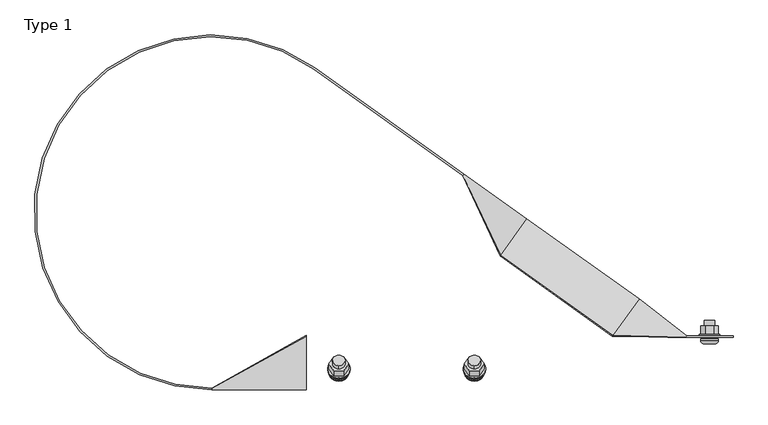
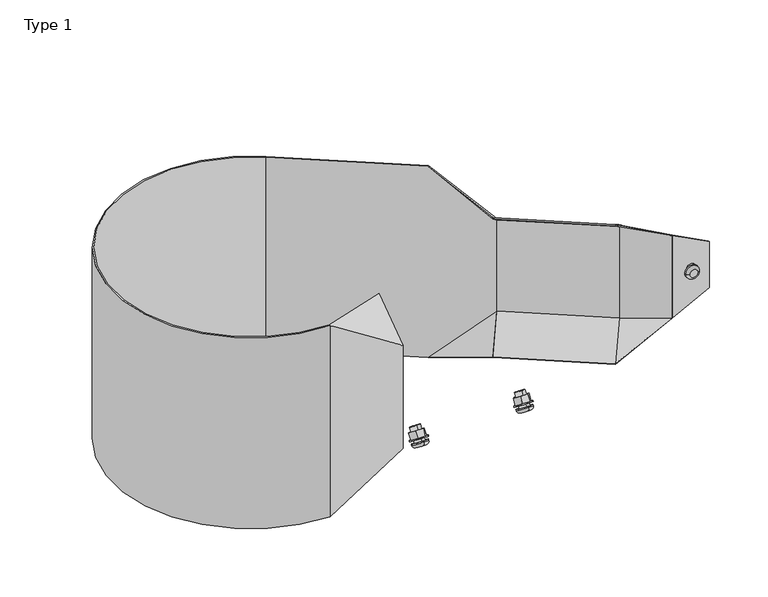
"""IFC4 building model written with IfcOpenShell, lengths in millimetres: proxy geometry, Type 1."""

from ifc_helpers import new_model, si_unit, point, frame, origin, place, context, project, spatial, polyline, circle_curve, ellipse_curve, trimmed, source, transform, mapped, element, save
from ifc_brep_helpers import plane_surface, cylinder_surface, revolved_surface, spline_surface, advanced_brep


def type_1_68a221f1(model_context):
    return source(origin(), model_context, "Body", "AdvancedBrep", [
        advanced_brep(
        [(190.9902686, 186.7722994, 199.2492605), (149.4821381, 128.5800467, 147.6969004), (148.5989529, 127.3418666, 149.8056664), (189.4804409, 184.6555991, 200.5797477), (189.4804409, 184.6555991, 399.4202523), (148.5989529, 127.3418666, 450.1943336), (149.4821381, 128.5800467, 452.3030996), (190.9902686, 186.7722994, 400.7507395), (369.5286487, 59.4221106, 199.2492605), (328.0205182, 1.2298578, 147.6969004), (327.1373329, -0.0083223, 149.8056664), (368.018821, 57.3054102, 200.5797477), (368.018821, 57.3054102, 399.4202523), (327.1373329, -0.0083223, 450.1943336), (328.0205182, 1.2298578, 452.3030996), (369.5286487, 59.4221106, 400.7507395), (443.1447357, -2.0, 389.9654852), (443.1447357, -2.0, 210.569826), (444.9992977, 0.6, 211.5363688), (444.9992977, 0.6, 388.9903193)],
        [
            (0, 1),
            (1, 2),
            (2, 3),
            (3, 4),
            (4, 5),
            (5, 6),
            (6, 7),
            (7, 0),
            (0, 8),
            (8, 9),
            (9, 1),
            (9, 10),
            (10, 2),
            (10, 11),
            (11, 3),
            (11, 12),
            (12, 4),
            (12, 13),
            (13, 5),
            (13, 14),
            (14, 6),
            (14, 15),
            (15, 7),
            (15, 8),
            (16, 17),
            (17, 18),
            (18, 19),
            (19, 16),
            (13, 16),
            (16, 14),
            (12, 16),
            (11, 17),
            (10, 17),
            (9, 17),
            (8, 18),
            (15, 19),
        ],
        [
            plane_surface(frame((122.6946592, 91.0253863, 114.4273279), z_axis=(-0.8141155183563169, 0.5807029557109433, 0.0), x_axis=(-0.47098715695730625, -0.6602996414165478, -0.5849576749872184))),
            plane_surface(frame((190.9902686, 186.7722994, 199.2492605), z_axis=(0.33968665083087907, 0.47622312078872514, -0.8110638189893247), x_axis=(0.8141155183563167, -0.5807029557109433, 0.0))),
            plane_surface(frame((149.4821381, 128.5800467, 147.6969004), z_axis=(-0.47098715695730886, -0.6602996414165514, -0.5849576749872123), x_axis=(0.8141155183563167, -0.5807029557109433, 0.0))),
            plane_surface(frame((148.5989529, 127.3418666, 149.8056664), z_axis=(-0.33968665083087923, -0.4762231207887254, 0.8110638189893244), x_axis=(0.8141155183563167, -0.5807029557109433, 0.0))),
            plane_surface(frame((189.4804409, 184.6555991, 200.5797477), z_axis=(-0.5807029557109432, -0.8141155183563167, 0.0), x_axis=(0.8141155183563167, -0.5807029557109432, 0.0))),
            plane_surface(frame((189.4804409, 184.6555991, 399.4202523), z_axis=(-0.33968665083087735, -0.47622312078872275, -0.8110638189893268), x_axis=(0.8141155183563167, -0.5807029557109432, 0.0))),
            plane_surface(frame((148.5989529, 127.3418666, 450.1943336), z_axis=(-0.4709871569573153, -0.6602996414165604, 0.584957674987197), x_axis=(0.8141155183563167, -0.5807029557109433, 0.0))),
            plane_surface(frame((149.4821381, 128.5800467, 452.3030996), z_axis=(0.3396866508308775, 0.476223120788723, 0.8110638189893264), x_axis=(0.8141155183563167, -0.5807029557109433, 0.0))),
            plane_surface(frame((190.9902686, 186.7722994, 400.7507395), z_axis=(0.5807029557109434, 0.8141155183563167, 0.0), x_axis=(0.8141155183563167, -0.5807029557109434, 0.0))),
            plane_surface(frame((444.0720167, -0.7, 300.2654998), z_axis=(0.8141155183563159, -0.5807029557109447, 0.0), x_axis=(-0.5553888131376229, -0.778626399349516, 0.29203458096189694))),
            plane_surface(frame((327.5789256, 0.6107678, 451.2487166), z_axis=(0.20770917796488175, -0.879031617892809, 0.42913903590084157), x_axis=(-0.33968665083085386, -0.4762231207887098, -0.8110638189893441))),
            plane_surface(frame((347.578077, 28.648544, 424.807293), z_axis=(-0.42567387223256176, -0.41068135271323597, -0.8063141949836699), x_axis=(0.4709871569573086, 0.6602996414165487, -0.5849576749872154))),
            plane_surface(frame((368.018821, 57.3054102, 300.0), z_axis=(-0.6196151801696199, -0.7849057449804846, 0.0), x_axis=(0.0, 0.0, -1.0))),
            plane_surface(frame((347.578077, 28.648544, 175.192707), z_axis=(-0.4291358641862652, -0.4078564084807411, 0.8059128737836979), x_axis=(-0.4709871569573054, -0.6602996414165481, -0.5849576749872188))),
            plane_surface(frame((327.5789256, 0.6107678, 148.7512834), z_axis=(0.20932332652993613, -0.8789903176634704, -0.4284387545779601), x_axis=(0.33968665083088123, 0.4762231207887182, -0.8110638189893278))),
            spline_surface(1, 1, [[(328.0205182, 1.2298578, 147.6969004), (443.1447357, -2.0, 210.569826)], [(369.5286487, 59.4221106, 199.2492605), (444.9992977, 0.6, 211.5363688)]], [2, 2], [2, 2], [0.0, 1.0], [0.0, 1.0]),
            plane_surface(frame((369.5286487, 59.4221106, 300.0), z_axis=(0.6147393902704221, 0.7887302974084042, 0.0), x_axis=(0.0, 0.0, 1.0))),
            spline_surface(1, 1, [[(369.5286487, 59.4221106, 400.7507395), (444.9992977, 0.6, 388.9903193)], [(328.0205182, 1.2298578, 452.3030996), (443.1447357, -2.0, 389.9654852)]], [2, 2], [2, 2], [0.0, 1.0], [0.0, 1.0]),
        ],
        [
            (0, [[1, 2, 3, 4, 5, 6, 7, 8]]),
            (1, [[-1, 9, 10, 11]]),
            (2, [[-2, -11, 12, 13]]),
            (3, [[-3, -13, 14, 15]]),
            (4, [[-4, -15, 16, 17]]),
            (5, [[-5, -17, 18, 19]]),
            (6, [[-6, -19, 20, 21]]),
            (7, [[-7, -21, 22, 23]]),
            (8, [[-8, -23, 24, -9]]),
            (9, [[25, 26, 27, 28]]),
            (10, [[29, 30, -20]]),
            (11, [[-29, -18, 31]]),
            (12, [[-25, -31, -16, 32]]),
            (13, [[-32, -14, 33]]),
            (14, [[-33, -12, 34]]),
            (15, [[-26, -34, -10, 35]]),
            (16, [[-27, -35, -24, 36]]),
            (17, [[-28, -36, -22, -30]]),
        ],
    ),
        advanced_brep(
        [(-310.0, -83.0, 508.0), (-147.4031724, 424.9523451, 508.0), (89.4346213, 256.0175887, 508.0), (90.944449, 258.134289, 508.0), (-145.8933447, 427.0690455, 508.0), (-310.0, -85.6, 508.0), (-310.0, -85.6, 92.0), (-145.8933447, 427.0690455, 92.0), (90.944449, 258.134289, 92.0), (89.4346213, 256.0175887, 92.0), (-147.4031724, 424.9523451, 92.0), (-310.0, -83.0, 92.0), (189.4804409, 184.6555991, 200.5797477), (189.4804409, 184.6555991, 399.4202523), (190.9902686, 186.7722994, 400.7507395), (190.9902686, 186.7722994, 199.2492605), (149.4821381, 128.5800467, 452.3030996), (148.5989529, 127.3418666, 450.1943336), (148.5989529, 127.3418666, 149.8056664), (149.4821381, 128.5800467, 147.6969004), (-160.0, -83.0, 410.6331724), (-160.0, 1.5207427, 471.5824859), (-160.0, 0.0, 473.691358), (-160.0, -85.6, 411.9637742), (-160.0, -85.6, 187.9969633), (-160.0, 0.0, 126.3278397), (-160.0, 1.5197948, 128.4373951), (-160.0, -83.0, 189.3283024)],
        [
            (0, 1, circle_curve(frame((-310.0, 197.0, 508.0), z_axis=(0.0, 0.0, -1.0), x_axis=(-1.0, 0.0, 0.0)), 280.0)),
            (1, 2),
            (2, 3),
            (3, 4),
            (4, 5, circle_curve(frame((-310.0, 197.0, 508.0), z_axis=(0.0, 0.0, 1.0), x_axis=(-1.0, 0.0, 0.0)), 282.6)),
            (5, 0),
            (6, 7, circle_curve(frame((-310.0, 197.0, 92.0), z_axis=(0.0, 0.0, -1.0), x_axis=(-1.0, 0.0, 0.0)), 282.6)),
            (7, 8),
            (8, 9),
            (9, 10),
            (10, 11, circle_curve(frame((-310.0, 197.0, 92.0), z_axis=(0.0, 0.0, 1.0), x_axis=(-1.0, 0.0, 0.0)), 280.0)),
            (11, 6),
            (0, 11),
            (10, 1),
            (9, 12),
            (12, 13),
            (13, 2),
            (3, 14),
            (14, 15),
            (15, 8),
            (7, 4),
            (6, 5),
            (14, 16),
            (16, 17),
            (17, 13),
            (12, 18),
            (18, 19),
            (19, 15),
            (19, 9),
            (18, 9),
            (17, 2),
            (16, 2),
            (20, 21),
            (21, 22),
            (22, 23),
            (23, 24),
            (24, 25),
            (25, 26),
            (26, 27),
            (27, 20),
            (20, 0),
            (0, 21),
            (0, 22),
            (5, 23),
            (6, 24),
            (11, 25),
            (11, 26),
            (11, 27),
        ],
        [
            plane_surface(frame((-590.0, 197.0, 508.0), z_axis=(0.0, 0.0, 1.0), x_axis=(0.0, 1.0, 0.0))),
            plane_surface(frame((-590.0, 197.0, 92.0), z_axis=(0.0, 0.0, -1.0), x_axis=(0.0, -1.0, 0.0))),
            revolved_surface(polyline([(-590.0, 197.0, 92.0), (-590.0, 197.0, 508.0)]), (-310.0, 197.0, 92.0), (0.0, 0.0, -1.0)),
            plane_surface(frame((-147.4031724, 424.9523451, 508.0), z_axis=(-0.5807029557109396, -0.8141155183563195, 0.0), x_axis=(0.0, 0.0, -1.0))),
            plane_surface(frame((90.944449, 258.134289, 508.0), z_axis=(0.5807029557109394, 0.8141155183563195, 0.0), x_axis=(0.0, 0.0, -1.0))),
            cylinder_surface(frame((-310.0, 197.0, 92.0), z_axis=(0.0, 0.0, 1.0), x_axis=(-1.0, 0.0, 0.0)), 282.6),
            plane_surface(frame((169.6379501, 156.8374529, 300.0), z_axis=(0.8141155183563185, -0.5807029557109409, 0.0), x_axis=(-0.4709871569573017, -0.6602996414165511, -0.5849576749872184))),
            spline_surface(1, 1, [[(190.9902686, 186.7722994, 199.2492605), (90.944449, 258.134289, 92.0)], [(149.4821381, 128.5800467, 147.6969004), (89.4346213, 256.0175887, 92.0)]], [2, 2], [2, 2], [0.0, 1.0], [0.0, 1.0]),
            plane_surface(frame((149.0405455, 127.9609566, 148.7512834), z_axis=(-0.6143153542746358, -0.5406481490313704, -0.5747314368045148), x_axis=(-0.33968665083087546, -0.4762231207887154, 0.8110638189893317))),
            plane_surface(frame((169.0396969, 155.9987328, 175.192707), z_axis=(-0.7503275565848015, -0.048833295000649646, 0.6592600906538033), x_axis=(0.4709871569573013, 0.660299641416551, 0.5849576749872187))),
            plane_surface(frame((169.0396969, 155.9987328, 424.807293), z_axis=(-0.7503275565847984, -0.04883329500064662, -0.6592600906538072), x_axis=(-0.47098715695730603, -0.6602996414165505, 0.5849576749872155))),
            plane_surface(frame((149.0405455, 127.9609566, 451.2487166), z_axis=(-0.6143153542746498, -0.5406481490313702, 0.5747314368045), x_axis=(0.3396866508308627, 0.476223120788709, 0.8110638189893409))),
            spline_surface(1, 1, [[(149.4821381, 128.5800467, 452.3030996), (89.4346213, 256.0175887, 508.0)], [(190.9902686, 186.7722994, 400.7507395), (90.944449, 258.134289, 508.0)]], [2, 2], [2, 2], [0.0, 1.0], [0.0, 1.0]),
            plane_surface(frame((-160.0, -41.7699328, 299.9951614), z_axis=(1.0, 0.0, 0.0), x_axis=(0.0, 0.8111046513053649, 0.5849010554194636))),
            plane_surface(frame((-310.0, -83.0, 508.0), z_axis=(-0.4658726222908497, 0.5175507490117469, -0.7177074069544128), x_axis=(0.0, 0.8111046513053649, 0.5849010554194636))),
            plane_surface(frame((-310.0, -83.0, 508.0), z_axis=(-0.30047274942495855, 0.7736238296917165, 0.5578730115233466), x_axis=(0.0, -0.5849010554194513, 0.8111046513053738))),
            spline_surface(1, 1, [[(-310.0, -83.0, 508.0), (-160.0, 0.0, 473.691358)], [(-310.0, -85.6, 508.0), (-160.0, -85.6, 411.9637742)]], [2, 2], [2, 2], [0.0, 1.0], [0.0, 1.0]),
            plane_surface(frame((-310.0, -85.6, 300.0), z_axis=(0.0, -1.0, 0.0), x_axis=(0.0, 0.0, -1.0))),
            spline_surface(1, 1, [[(-310.0, -85.6, 92.0), (-160.0, -85.6, 187.9969633)], [(-310.0, -83.0, 92.0), (-160.0, 0.0, 126.3278397)]], [2, 2], [2, 2], [0.0, 1.0], [0.0, 1.0]),
            plane_surface(frame((-310.0, -83.0, 92.0), z_axis=(-0.3006063635639592, 0.7738403268106463, -0.5575006392699877), x_axis=(0.0, 0.5845364452825408, 0.8113674532149112))),
            plane_surface(frame((-310.0, -83.0, 92.0), z_axis=(-0.4658464341630251, 0.5172361823735152, 0.7179511344243885), x_axis=(0.0, -0.8113674532149089, 0.5845364452825442))),
            plane_surface(frame((-310.0, -83.0, 300.0), z_axis=(0.0, 1.0, 0.0), x_axis=(0.0, 0.0, 1.0))),
        ],
        [
            (0, [[1, 2, 3, 4, 5, 6]]),
            (1, [[7, 8, 9, 10, 11, 12]]),
            (2, [[-1, 13, -11, 14]]),
            (3, [[-2, -14, -10, 15, 16, 17]]),
            (4, [[-4, 18, 19, 20, -8, 21]]),
            (5, [[-5, -21, -7, 22]]),
            (6, [[-19, 23, 24, 25, -16, 26, 27, 28]]),
            (7, [[-28, 29, -9, -20]]),
            (8, [[-27, 30, -29]]),
            (9, [[-26, -15, -30]]),
            (10, [[-25, 31, -17]]),
            (11, [[-24, 32, -31]]),
            (12, [[-23, -18, -3, -32]]),
            (13, [[33, 34, 35, 36, 37, 38, 39, 40]]),
            (14, [[-33, 41, 42]]),
            (15, [[-34, -42, 43]]),
            (16, [[-35, -43, -6, 44]]),
            (17, [[-36, -44, -22, 45]]),
            (18, [[-37, -45, -12, 46]]),
            (19, [[-38, -46, 47]]),
            (20, [[-39, -47, 48]]),
            (21, [[-40, -48, -13, -41]]),
        ],
    ),
        advanced_brep(
        [(473.4770023, 25.4, 300.0), (489.4770023, 25.4, 300.0), (489.4770023, 16.6, 300.0), (473.4770023, 16.6, 300.0), (473.4770023, -4.6, 300.0), (473.4770023, 0.6, 300.0), (489.4770023, 0.6, 300.0), (489.4770023, -4.6, 300.0), (488.4770023, 16.6, 287.8756443), (474.4770023, 16.6, 287.8756443), (467.4770023, 16.6, 300.0), (474.4770023, 16.6, 312.1243557), (488.4770023, 16.6, 312.1243557), (495.4770023, 16.6, 300.0), (488.4770023, 2.6, 287.8756443), (474.4770023, 2.6, 287.8756443), (467.4770023, 2.6, 300.0), (474.4770023, 2.6, 312.1243557), (488.4770023, 2.6, 312.1243557), (495.4770023, 2.6, 300.0), (497.4770023, 2.6, 300.0), (465.4770023, 2.6, 300.0), (497.4770023, 0.6, 300.0), (465.4770023, 0.6, 300.0), (473.4770023, -12.6, 300.0), (489.4770023, -12.6, 300.0), (467.4770023, -4.6, 300.0), (495.4770023, -4.6, 300.0), (495.4770023, -6.6, 300.0), (467.4770023, -6.6, 300.0)],
        [
            (0, 1, circle_curve(frame((481.4770023, 25.4, 300.0), z_axis=(0.0, 1.0, 0.0), x_axis=(1.0, 0.0, 0.0)), 8.0)),
            (1, 0, circle_curve(frame((481.4770023, 25.4, 300.0), z_axis=(0.0, 1.0, 0.0), x_axis=(1.0, 0.0, 0.0)), 8.0)),
            (1, 2),
            (2, 3, circle_curve(frame((481.4770023, 16.6, 300.0), z_axis=(0.0, 1.0, 0.0), x_axis=(1.0, 0.0, 0.0)), 8.0)),
            (3, 0),
            (4, 5),
            (5, 6, circle_curve(frame((481.4770023, 0.6, 300.0), z_axis=(0.0, -1.0, 0.0), x_axis=(1.0, 0.0, 0.0)), 8.0)),
            (6, 7),
            (7, 4, circle_curve(frame((481.4770023, -4.6, 300.0), z_axis=(0.0, 1.0, 0.0), x_axis=(1.0, 0.0, 0.0)), 8.0)),
            (3, 2, circle_curve(frame((481.4770023, 16.6, 300.0), z_axis=(0.0, 1.0, 0.0), x_axis=(1.0, 0.0, 0.0)), 8.0)),
            (4, 7, circle_curve(frame((481.4770023, -4.6, 300.0), z_axis=(0.0, 1.0, 0.0), x_axis=(1.0, 0.0, 0.0)), 8.0)),
            (6, 5, circle_curve(frame((481.4770023, 0.6, 300.0), z_axis=(0.0, -1.0, 0.0), x_axis=(1.0, 0.0, 0.0)), 8.0)),
            (8, 9),
            (9, 10),
            (10, 11),
            (11, 12),
            (12, 13),
            (13, 8),
            (8, 14),
            (14, 15),
            (15, 9),
            (15, 16),
            (16, 10),
            (16, 17),
            (17, 11),
            (17, 18),
            (18, 12),
            (18, 19),
            (19, 13),
            (19, 14),
            (20, 21, circle_curve(frame((481.4770023, 2.6, 300.0), z_axis=(0.0, 1.0, 0.0), x_axis=(-1.0, 0.0, 0.0)), 16.0)),
            (21, 20, circle_curve(frame((481.4770023, 2.6, 300.0), z_axis=(0.0, 1.0, 0.0), x_axis=(-1.0, 0.0, 0.0)), 16.0)),
            (22, 23, circle_curve(frame((481.4770023, 0.6, 300.0), z_axis=(0.0, -1.0, 0.0), x_axis=(-1.0, 0.0, 0.0)), 16.0)),
            (23, 22, circle_curve(frame((481.4770023, 0.6, 300.0), z_axis=(0.0, -1.0, 0.0), x_axis=(-1.0, 0.0, 0.0)), 16.0)),
            (20, 22),
            (23, 21),
            (24, 25, circle_curve(frame((481.4770023, -12.6, 300.0), z_axis=(0.0, -1.0, 0.0), x_axis=(1.0, 0.0, 0.0)), 8.0)),
            (25, 24, circle_curve(frame((481.4770023, -12.6, 300.0), z_axis=(0.0, -1.0, 0.0), x_axis=(-1.0, 0.0, 0.0)), 8.0)),
            (26, 27, circle_curve(frame((481.4770023, -4.6, 300.0), z_axis=(0.0, 1.0, 0.0), x_axis=(1.0, 0.0, 0.0)), 14.0)),
            (27, 26, circle_curve(frame((481.4770023, -4.6, 300.0), z_axis=(0.0, 1.0, 0.0), x_axis=(1.0, 0.0, 0.0)), 14.0)),
            (27, 28),
            (28, 29, circle_curve(frame((481.4770023, -6.6, 300.0), z_axis=(0.0, 1.0, 0.0), x_axis=(1.0, 0.0, 0.0)), 14.0)),
            (29, 26),
            (29, 28, circle_curve(frame((481.4770023, -6.6, 300.0), z_axis=(0.0, 1.0, 0.0), x_axis=(1.0, 0.0, 0.0)), 14.0)),
            (24, 29, circle_curve(frame((473.4770023, -6.6, 300.0), z_axis=(0.0, 0.0, -1.0), x_axis=(-1.0, 0.0, 0.0)), 6.0)),
            (28, 25, circle_curve(frame((489.4770023, -6.6, 300.0), z_axis=(0.0, 0.0, -1.0), x_axis=(1.0, 0.0, 0.0)), 6.0)),
        ],
        [
            plane_surface(frame((489.4770023, 25.4, 300.0), z_axis=(0.0, 1.0, 0.0), x_axis=(0.0, 0.0, -1.0))),
            cylinder_surface(frame((481.4770023, 25.4, 300.0), z_axis=(0.0, -1.0, 0.0), x_axis=(1.0, 0.0, 0.0)), 8.0),
            plane_surface(frame((473.4770023, 16.6, 300.0), z_axis=(0.0, 1.0, 0.0), x_axis=(0.0, 0.0, -1.0))),
            plane_surface(frame((488.4770023, 16.6, 287.8756443), z_axis=(0.0, 0.0, -1.0), x_axis=(0.0, -1.0, 0.0))),
            plane_surface(frame((474.4770023, 16.6, 287.8756443), z_axis=(-0.8660254037844395, 0.0, -0.49999999999999856), x_axis=(0.0, -1.0, 0.0))),
            plane_surface(frame((467.4770023, 16.6, 300.0), z_axis=(-0.8660254037844395, 0.0, 0.49999999999999856), x_axis=(0.0, -1.0, 0.0))),
            plane_surface(frame((474.4770023, 16.6, 312.1243557), z_axis=(0.0, 0.0, 1.0), x_axis=(0.0, -1.0, 0.0))),
            plane_surface(frame((488.4770023, 16.6, 312.1243557), z_axis=(0.8660254037844374, 0.0, 0.5000000000000022), x_axis=(0.0, -1.0, 0.0))),
            plane_surface(frame((495.4770023, 16.6, 300.0), z_axis=(0.866025403784438, 0.0, -0.5000000000000012), x_axis=(0.0, -1.0, 0.0))),
            plane_surface(frame((473.4770023, 2.6, 300.0), z_axis=(0.0, 1.0, 0.0), x_axis=(0.0, 0.0, -1.0))),
            plane_surface(frame((473.4770023, 0.6, 300.0), z_axis=(0.0, -1.0, 0.0), x_axis=(0.0, 0.0, 1.0))),
            cylinder_surface(frame((481.4770023, 0.6, 300.0), z_axis=(0.0, 1.0, 0.0), x_axis=(-1.0, 0.0, 0.0)), 16.0),
            plane_surface(frame((495.4770023, -12.6, 300.0), z_axis=(0.0, -1.0, 0.0), x_axis=(0.0, 0.0, 1.0))),
            plane_surface(frame((495.4770023, -4.6, 300.0), z_axis=(0.0, 1.0, 0.0), x_axis=(0.0, 0.0, -1.0))),
            cylinder_surface(frame((481.4770023, -4.6, 300.0), z_axis=(0.0, -1.0, 0.0), x_axis=(1.0, 0.0, 0.0)), 14.0),
            revolved_surface(trimmed(ellipse_curve(frame((489.4770023, -6.6, 300.0), z_axis=(0.0, 0.0, 1.0), x_axis=(1.0, 0.0, 0.0)), 6.0, 6.0), [point((489.4770023, -12.6, 300.0))], [point((495.4770023, -6.6, 300.0))], True, "CARTESIAN"), (481.4770023, -12.6, 300.0), (0.0, 1.0, 0.0)),
            revolved_surface(trimmed(ellipse_curve(frame((473.4770023, -6.6, 300.0), z_axis=(0.0, 0.0, -1.0), x_axis=(-1.0, 0.0, 0.0)), 6.0, 6.0), [point((473.4770023, -12.6, 300.0))], [point((467.4770023, -6.6, 300.0))], True, "CARTESIAN"), (481.4770023, -12.6, 300.0), (0.0, 1.0, 0.0)),
        ],
        [
            (0, [[1, 2]]),
            (1, [[-2, 3, 4, 5]]),
            (1, [[6, 7, 8, 9]]),
            (1, [[-1, -5, 10, -3]]),
            (1, [[-6, 11, -8, 12]]),
            (2, [[13, 14, 15, 16, 17, 18], [-4, -10]]),
            (3, [[-13, 19, 20, 21]]),
            (4, [[-14, -21, 22, 23]]),
            (5, [[-15, -23, 24, 25]]),
            (6, [[-16, -25, 26, 27]]),
            (7, [[-17, -27, 28, 29]]),
            (8, [[-18, -29, 30, -19]]),
            (9, [[31, 32], [-20, -30, -28, -26, -24, -22]]),
            (10, [[33, 34], [-7, -12]]),
            (11, [[-31, 35, -34, 36]]),
            (11, [[-32, -36, -33, -35]]),
            (12, [[37, 38]]),
            (13, [[39, 40], [-9, -11]]),
            (14, [[-40, 41, 42, 43]]),
            (14, [[-39, -43, 44, -41]]),
            (15, [[45, -42, 46, -37]]),
            (16, [[-45, -38, -46, -44]]),
        ],
    ),
        advanced_brep(
        [(443.1447357, -2.0, 210.569826), (518.9770023, -2.0, 250.091358), (518.9770023, -2.0, 350.091358), (443.1447357, -2.0, 389.9654852), (490.4770023, -2.0, 294.091358), (472.4770023, -2.0, 294.091358), (472.4770023, -2.0, 306.091358), (490.4770023, -2.0, 306.091358), (518.9770023, 0.6, 350.091358), (518.9770023, 0.6, 250.091358), (444.9992977, 0.6, 211.5363688), (444.9992977, 0.6, 388.9903193), (490.4770023, 0.6, 294.091358), (490.4770023, 0.6, 306.091358), (472.4770023, 0.6, 306.091358), (472.4770023, 0.6, 294.091358)],
        [
            (0, 1),
            (1, 2),
            (2, 3),
            (3, 0),
            (4, 5, circle_curve(frame((481.4770023, -2.0, 294.091358), z_axis=(0.0, 1.0, 0.0), x_axis=(1.0, 0.0, 0.0)), 9.0)),
            (5, 6),
            (6, 7, circle_curve(frame((481.4770023, -2.0, 306.091358), z_axis=(0.0, 1.0, 0.0), x_axis=(1.0, 0.0, 0.0)), 9.0)),
            (7, 4),
            (8, 9),
            (9, 10),
            (10, 11),
            (11, 8),
            (12, 13),
            (13, 14, circle_curve(frame((481.4770023, 0.6, 306.091358), z_axis=(0.0, -1.0, 0.0), x_axis=(1.0, 0.0, 0.0)), 9.0)),
            (14, 15),
            (15, 12, circle_curve(frame((481.4770023, 0.6, 294.091358), z_axis=(0.0, -1.0, 0.0), x_axis=(1.0, 0.0, 0.0)), 9.0)),
            (0, 10),
            (9, 1),
            (8, 2),
            (11, 3),
            (4, 12),
            (15, 5),
            (14, 6),
            (13, 7),
        ],
        [
            plane_surface(frame((518.9770023, -2.0, 250.091358), z_axis=(0.0, -1.0, 0.0), x_axis=(0.8867915951497255, 0.0, 0.46216952168203973))),
            plane_surface(frame((518.9770023, 0.6, 250.091358), z_axis=(0.0, 1.0, 0.0), x_axis=(-0.8867915951497255, 0.0, -0.46216952168203973))),
            plane_surface(frame((443.1447357, -2.0, 210.569826), z_axis=(0.46216952168203973, 0.0, -0.8867915951497255), x_axis=(0.0, 1.0, 0.0))),
            plane_surface(frame((518.9770023, -2.0, 250.091358), z_axis=(1.0, 0.0, 0.0), x_axis=(0.0, 1.0, 0.0))),
            plane_surface(frame((518.9770023, -2.0, 350.091358), z_axis=(0.4654028082572808, 0.0, 0.8850989922411147), x_axis=(0.0, 1.0, 0.0))),
            revolved_surface(polyline([(490.4770023, 0.6, 294.091358), (490.4770023, -2.0, 294.091358)]), (481.4770023, 0.0, 294.091358), (0.0, 1.0, 0.0)),
            plane_surface(frame((472.4770023, -2.0, 294.091358), z_axis=(1.0, 0.0, 0.0), x_axis=(0.0, 1.0, 0.0))),
            revolved_surface(polyline([(490.4770023, 0.6, 306.091358), (490.4770023, -2.0, 306.091358)]), (481.4770023, 0.0, 306.091358), (0.0, 1.0, 0.0)),
            plane_surface(frame((490.4770023, -2.0, 306.091358), z_axis=(-1.0, 0.0, 0.0), x_axis=(0.0, 1.0, 0.0))),
            plane_surface(frame((444.9992977, 0.6, 200.0), z_axis=(-0.814115518356319, 0.5807029557109401, 0.0), x_axis=(0.0, 0.0, 1.0))),
        ],
        [
            (0, [[1, 2, 3, 4], [5, 6, 7, 8]]),
            (1, [[9, 10, 11, 12], [13, 14, 15, 16]]),
            (2, [[-1, 17, -10, 18]]),
            (3, [[-2, -18, -9, 19]]),
            (4, [[-3, -19, -12, 20]]),
            (5, [[-5, 21, -16, 22]]),
            (6, [[-6, -22, -15, 23]]),
            (7, [[-7, -23, -14, 24]]),
            (8, [[-8, -24, -13, -21]]),
            (9, [[-4, -20, -11, -17]]),
        ],
    ),
        advanced_brep(
        [(-108.0, -30.5787303, 185.3324031), (-108.0, -46.8060794, 197.023132), (-108.0, -51.9500001, 189.8830984), (-108.0, -35.722651, 178.1923695), (-108.0, -64.3421727, 172.6821084), (-108.0, -48.1148237, 160.9913795), (-108.0, -45.0752341, 165.2104903), (-108.0, -61.3025832, 176.9012192), (-108.0, -37.4152216, 162.1569336), (-108.0, -66.6244499, 183.2002456), (-116.0, -40.7771986, 164.579015), (-100.0, -40.7771986, 164.579015), (-92.0, -52.0198358, 172.6785896), (-100.0, -63.262473, 180.7781642), (-116.0, -63.262473, 180.7781642), (-124.0, -52.0198358, 172.6785896), (-108.0, -38.5842945, 160.5341987), (-108.0, -67.7935228, 181.5775107), (-100.0, -32.5936883, 175.9381594), (-116.0, -32.5936883, 175.9381594), (-124.0, -43.8363256, 184.037734), (-116.0, -55.0789628, 192.1373085), (-100.0, -55.0789628, 192.1373085), (-92.0, -43.8363256, 184.037734), (-108.0, -69.0184643, 166.1911688), (-108.0, -52.7911152, 154.5004399), (-108.0, -43.2466189, 157.4841608), (-108.0, -69.2103774, 176.1893271), (-108.0, -70.3794503, 174.5665922), (-108.0, -44.4156918, 155.8614259)],
        [
            (0, 1, circle_curve(frame((-108.0, -38.6924048, 191.1777676), z_axis=(0.0, 0.5845364452825441, 0.8113674532149089), x_axis=(0.0, -0.8113674532149089, 0.5845364452825441)), 10.0)),
            (1, 0, circle_curve(frame((-108.0, -38.6924048, 191.1777676), z_axis=(0.0, 0.5845364452825441, 0.8113674532149089), x_axis=(0.0, -0.8113674532149089, 0.5845364452825441)), 10.0)),
            (1, 2),
            (2, 3, circle_curve(frame((-108.0, -43.8363256, 184.037734), z_axis=(0.0, 0.5845364452825441, 0.8113674532149089), x_axis=(0.0, -0.8113674532149089, 0.5845364452825441)), 10.0)),
            (3, 0),
            (4, 5, circle_curve(frame((-108.0, -56.2284982, 166.836744), z_axis=(0.0, 0.5845364452825441, 0.8113674532149089), x_axis=(0.0, -0.8113674532149089, 0.5845364452825441)), 10.0)),
            (5, 6),
            (6, 7, circle_curve(frame((-108.0, -53.1889087, 171.0558547), z_axis=(0.0, -0.5845364452825441, -0.8113674532149089), x_axis=(0.0, -0.8113674532149089, 0.5845364452825441)), 10.0)),
            (7, 4),
            (3, 2, circle_curve(frame((-108.0, -43.8363256, 184.037734), z_axis=(0.0, 0.5845364452825441, 0.8113674532149089), x_axis=(0.0, -0.8113674532149089, 0.5845364452825441)), 10.0)),
            (5, 4, circle_curve(frame((-108.0, -56.2284982, 166.836744), z_axis=(0.0, 0.5845364452825441, 0.8113674532149089), x_axis=(0.0, -0.8113674532149089, 0.5845364452825441)), 10.0)),
            (7, 6, circle_curve(frame((-108.0, -53.1889087, 171.0558547), z_axis=(0.0, -0.5845364452825441, -0.8113674532149089), x_axis=(0.0, -0.8113674532149089, 0.5845364452825441)), 10.0)),
            (8, 9, circle_curve(frame((-108.0, -52.0198358, 172.6785896), z_axis=(0.0, 0.5845364452825442, 0.8113674532149088), x_axis=(0.0, -0.8113674532149088, 0.5845364452825442)), 18.0)),
            (9, 8, circle_curve(frame((-108.0, -52.0198358, 172.6785896), z_axis=(0.0, 0.5845364452825442, 0.8113674532149088), x_axis=(0.0, -0.8113674532149088, 0.5845364452825442)), 18.0)),
            (10, 11),
            (11, 12),
            (12, 13),
            (13, 14),
            (14, 15),
            (15, 10),
            (16, 17, circle_curve(frame((-108.0, -53.1889087, 171.0558547), z_axis=(0.0, -0.5845364452825442, -0.8113674532149088), x_axis=(0.0, -0.8113674532149088, 0.5845364452825442)), 18.0)),
            (17, 16, circle_curve(frame((-108.0, -53.1889087, 171.0558547), z_axis=(0.0, -0.5845364452825442, -0.8113674532149088), x_axis=(0.0, -0.8113674532149088, 0.5845364452825442)), 18.0)),
            (8, 16),
            (17, 9),
            (18, 19),
            (19, 20),
            (20, 21),
            (21, 22),
            (22, 23),
            (23, 18),
            (18, 11),
            (10, 19),
            (15, 20),
            (14, 21),
            (13, 22),
            (12, 23),
            (24, 25, circle_curve(frame((-108.0, -60.9047898, 160.3458043), z_axis=(0.0, -0.5845364452825441, -0.8113674532149089), x_axis=(0.0, 0.8113674532149089, -0.5845364452825441)), 10.0)),
            (25, 24, circle_curve(frame((-108.0, -60.9047898, 160.3458043), z_axis=(0.0, -0.5845364452825441, -0.8113674532149089), x_axis=(0.0, -0.8113674532149089, 0.5845364452825441)), 10.0)),
            (26, 27, circle_curve(frame((-108.0, -56.2284982, 166.836744), z_axis=(0.0, 0.5845364452825441, 0.8113674532149089), x_axis=(0.0, -0.8113674532149089, 0.5845364452825441)), 16.0)),
            (27, 26, circle_curve(frame((-108.0, -56.2284982, 166.836744), z_axis=(0.0, 0.5845364452825441, 0.8113674532149089), x_axis=(0.0, -0.8113674532149089, 0.5845364452825441)), 16.0)),
            (27, 28),
            (28, 29, circle_curve(frame((-108.0, -57.3975711, 165.214009), z_axis=(0.0, 0.5845364452825441, 0.8113674532149089), x_axis=(0.0, -0.8113674532149089, 0.5845364452825441)), 16.0)),
            (29, 26),
            (29, 28, circle_curve(frame((-108.0, -57.3975711, 165.214009), z_axis=(0.0, 0.5845364452825441, 0.8113674532149089), x_axis=(0.0, -0.8113674532149089, 0.5845364452825441)), 16.0)),
            (24, 28, circle_curve(frame((-108.0, -65.5112456, 171.0593735), z_axis=(-1.0, 0.0, 0.0), x_axis=(0.0, -0.811367453214909, 0.584536445282544)), 6.0)),
            (29, 25, circle_curve(frame((-108.0, -49.2838966, 159.3686446), z_axis=(-1.0, 0.0, 0.0), x_axis=(0.0, 0.8113674532149088, -0.5845364452825442)), 6.0)),
        ],
        [
            plane_surface(frame((-108.0, -46.8060794, 197.023132), z_axis=(0.0, 0.5845364452825441, 0.8113674532149089), x_axis=(1.0, 0.0, 0.0))),
            cylinder_surface(frame((-108.0, -38.6924048, 191.1777676), z_axis=(0.0, -0.5845364452825441, -0.8113674532149089), x_axis=(0.0, -0.8113674532149089, 0.5845364452825441)), 10.0),
            plane_surface(frame((107.5025487, -60.1335103, 178.5239541), z_axis=(0.0, 0.5845364452825442, 0.8113674532149088), x_axis=(-1.0, 0.0, 0.0))),
            plane_surface(frame((107.5025487, -61.3025832, 176.9012192), z_axis=(0.0, -0.5845364452825442, -0.8113674532149088), x_axis=(1.0, 0.0, 0.0))),
            cylinder_surface(frame((-108.0, -54.7087034, 168.9462993), z_axis=(0.0, 0.5845364452825442, 0.8113674532149088), x_axis=(0.0, -0.8113674532149088, 0.5845364452825442)), 18.0),
            plane_surface(frame((107.5025487, -51.9500001, 189.8830984), z_axis=(0.0, 0.5845364452825442, 0.8113674532149088), x_axis=(-1.0, 0.0, 0.0))),
            plane_surface(frame((-100.0, -32.5936883, 175.9381594), z_axis=(0.0, 0.8113674532149089, -0.5845364452825442), x_axis=(0.0, -0.5845364452825442, -0.8113674532149089))),
            plane_surface(frame((-116.0, -32.5936883, 175.9381594), z_axis=(-0.8660254037844366, 0.40568372660745794, -0.29226822264127333), x_axis=(0.0, -0.5845364452825442, -0.8113674532149089))),
            plane_surface(frame((-124.0, -43.8363256, 184.037734), z_axis=(-0.8660254037844409, -0.4056837266074508, 0.2922682226412707), x_axis=(0.0, -0.5845364452825442, -0.8113674532149089))),
            plane_surface(frame((-116.0, -55.0789628, 192.1373085), z_axis=(0.0, -0.8113674532149086, 0.5845364452825446), x_axis=(0.0, -0.5845364452825446, -0.8113674532149086))),
            plane_surface(frame((-100.0, -55.0789628, 192.1373085), z_axis=(0.8660254037844357, -0.4056837266074595, 0.29226822264127444), x_axis=(0.0, -0.5845364452825442, -0.8113674532149089))),
            plane_surface(frame((-92.0, -43.8363256, 184.037734), z_axis=(0.8660254037844395, 0.4056837266074528, -0.29226822264127217), x_axis=(0.0, -0.5845364452825442, -0.8113674532149089))),
            plane_surface(frame((107.5025487, -73.886669, 169.6983875), z_axis=(0.0, -0.5845364452825441, -0.8113674532149089), x_axis=(-1.0, 0.0, 0.0))),
            plane_surface(frame((107.5025487, -69.2103774, 176.1893271), z_axis=(0.0, 0.5845364452825441, 0.8113674532149089), x_axis=(1.0, 0.0, 0.0))),
            cylinder_surface(frame((-108.0, -56.2284982, 166.836744), z_axis=(0.0, -0.5845364452825441, -0.8113674532149089), x_axis=(0.0, -0.8113674532149089, 0.5845364452825441)), 16.0),
            revolved_surface(trimmed(ellipse_curve(frame((-108.0, -49.2838966, 159.3686446), z_axis=(1.0, 0.0, 0.0), x_axis=(0.0, 0.8113674532149088, -0.5845364452825442)), 6.0, 6.0), [point((-108.0, -52.7911152, 154.5004399))], [point((-108.0, -44.4156918, 155.8614259))], True, "CARTESIAN"), (-108.0, -60.9047898, 160.3458043), (0.0, 0.5845364452825441, 0.8113674532149089)),
            revolved_surface(trimmed(ellipse_curve(frame((-108.0, -65.5112456, 171.0593735), z_axis=(-1.0, 0.0, 0.0), x_axis=(0.0, -0.811367453214909, 0.584536445282544)), 6.0, 6.0), [point((-108.0, -69.0184643, 166.1911688))], [point((-108.0, -70.3794503, 174.5665922))], True, "CARTESIAN"), (-108.0, -60.9047898, 160.3458043), (0.0, 0.5845364452825441, 0.8113674532149089)),
        ],
        [
            (0, [[1, 2]]),
            (1, [[-2, 3, 4, 5]]),
            (1, [[6, 7, 8, 9]]),
            (1, [[-1, -5, 10, -3]]),
            (1, [[11, -9, 12, -7]]),
            (2, [[13, 14], [15, 16, 17, 18, 19, 20]]),
            (3, [[21, 22], [-8, -12]]),
            (4, [[-13, 23, -22, 24]]),
            (4, [[-14, -24, -21, -23]]),
            (5, [[25, 26, 27, 28, 29, 30], [-4, -10]]),
            (6, [[-25, 31, -15, 32]]),
            (7, [[-26, -32, -20, 33]]),
            (8, [[-27, -33, -19, 34]]),
            (9, [[-28, -34, -18, 35]]),
            (10, [[-29, -35, -17, 36]]),
            (11, [[-30, -36, -16, -31]]),
            (12, [[37, 38]]),
            (13, [[39, 40], [-6, -11]]),
            (14, [[-40, 41, 42, 43]]),
            (14, [[-39, -43, 44, -41]]),
            (15, [[45, -44, 46, -37]]),
            (16, [[-45, -38, -46, -42]]),
        ],
    ),
        advanced_brep(
        [(107.5025487, -30.5787303, 185.3324031), (107.5025487, -46.8060794, 197.023132), (107.5025487, -51.9500001, 189.8830984), (107.5025487, -35.722651, 178.1923695), (107.5025487, -64.3421727, 172.6821084), (107.5025487, -48.1148237, 160.9913795), (107.5025487, -45.0752341, 165.2104903), (107.5025487, -61.3025832, 176.9012192), (107.5025487, -37.4152216, 162.1569336), (107.5025487, -66.6244499, 183.2002456), (99.5025487, -40.7771986, 164.579015), (115.5025487, -40.7771986, 164.579015), (123.5025487, -52.0198358, 172.6785896), (115.5025487, -63.262473, 180.7781642), (99.5025487, -63.262473, 180.7781642), (91.5025487, -52.0198358, 172.6785896), (107.5025487, -38.5842945, 160.5341987), (107.5025487, -67.7935228, 181.5775107), (115.5025487, -32.5936883, 175.9381594), (99.5025487, -32.5936883, 175.9381594), (91.5025487, -43.8363256, 184.037734), (99.5025487, -55.0789628, 192.1373085), (115.5025487, -55.0789628, 192.1373085), (123.5025487, -43.8363256, 184.037734), (107.5025487, -69.0184643, 166.1911688), (107.5025487, -52.7911152, 154.5004399), (107.5025487, -43.2466189, 157.4841608), (107.5025487, -69.2103774, 176.1893271), (107.5025487, -70.3794503, 174.5665922), (107.5025487, -44.4156918, 155.8614259)],
        [
            (0, 1, circle_curve(frame((107.5025487, -38.6924048, 191.1777676), z_axis=(0.0, 0.5845364452825441, 0.8113674532149089), x_axis=(0.0, -0.8113674532149089, 0.5845364452825441)), 10.0)),
            (1, 0, circle_curve(frame((107.5025487, -38.6924048, 191.1777676), z_axis=(0.0, 0.5845364452825441, 0.8113674532149089), x_axis=(0.0, -0.8113674532149089, 0.5845364452825441)), 10.0)),
            (1, 2),
            (2, 3, circle_curve(frame((107.5025487, -43.8363256, 184.037734), z_axis=(0.0, 0.5845364452825441, 0.8113674532149089), x_axis=(0.0, -0.8113674532149089, 0.5845364452825441)), 10.0)),
            (3, 0),
            (4, 5, circle_curve(frame((107.5025487, -56.2284982, 166.836744), z_axis=(0.0, 0.5845364452825441, 0.8113674532149089), x_axis=(0.0, -0.8113674532149089, 0.5845364452825441)), 10.0)),
            (5, 6),
            (6, 7, circle_curve(frame((107.5025487, -53.1889087, 171.0558547), z_axis=(0.0, -0.5845364452825441, -0.8113674532149089), x_axis=(0.0, -0.8113674532149089, 0.5845364452825441)), 10.0)),
            (7, 4),
            (3, 2, circle_curve(frame((107.5025487, -43.8363256, 184.037734), z_axis=(0.0, 0.5845364452825441, 0.8113674532149089), x_axis=(0.0, -0.8113674532149089, 0.5845364452825441)), 10.0)),
            (5, 4, circle_curve(frame((107.5025487, -56.2284982, 166.836744), z_axis=(0.0, 0.5845364452825441, 0.8113674532149089), x_axis=(0.0, -0.8113674532149089, 0.5845364452825441)), 10.0)),
            (7, 6, circle_curve(frame((107.5025487, -53.1889087, 171.0558547), z_axis=(0.0, -0.5845364452825441, -0.8113674532149089), x_axis=(0.0, -0.8113674532149089, 0.5845364452825441)), 10.0)),
            (8, 9, circle_curve(frame((107.5025487, -52.0198358, 172.6785896), z_axis=(0.0, 0.5845364452825442, 0.8113674532149088), x_axis=(0.0, -0.8113674532149088, 0.5845364452825442)), 18.0)),
            (9, 8, circle_curve(frame((107.5025487, -52.0198358, 172.6785896), z_axis=(0.0, 0.5845364452825442, 0.8113674532149088), x_axis=(0.0, -0.8113674532149088, 0.5845364452825442)), 18.0)),
            (10, 11),
            (11, 12),
            (12, 13),
            (13, 14),
            (14, 15),
            (15, 10),
            (16, 17, circle_curve(frame((107.5025487, -53.1889087, 171.0558547), z_axis=(0.0, -0.5845364452825442, -0.8113674532149088), x_axis=(0.0, -0.8113674532149088, 0.5845364452825442)), 18.0)),
            (17, 16, circle_curve(frame((107.5025487, -53.1889087, 171.0558547), z_axis=(0.0, -0.5845364452825442, -0.8113674532149088), x_axis=(0.0, -0.8113674532149088, 0.5845364452825442)), 18.0)),
            (8, 16),
            (17, 9),
            (18, 19),
            (19, 20),
            (20, 21),
            (21, 22),
            (22, 23),
            (23, 18),
            (18, 11),
            (10, 19),
            (15, 20),
            (14, 21),
            (13, 22),
            (12, 23),
            (24, 25, circle_curve(frame((107.5025487, -60.9047898, 160.3458043), z_axis=(0.0, -0.5845364452825441, -0.8113674532149089), x_axis=(0.0, 0.8113674532149089, -0.5845364452825441)), 10.0)),
            (25, 24, circle_curve(frame((107.5025487, -60.9047898, 160.3458043), z_axis=(0.0, -0.5845364452825441, -0.8113674532149089), x_axis=(0.0, -0.8113674532149089, 0.5845364452825441)), 10.0)),
            (26, 27, circle_curve(frame((107.5025487, -56.2284982, 166.836744), z_axis=(0.0, 0.5845364452825441, 0.8113674532149089), x_axis=(0.0, -0.8113674532149089, 0.5845364452825441)), 16.0)),
            (27, 26, circle_curve(frame((107.5025487, -56.2284982, 166.836744), z_axis=(0.0, 0.5845364452825441, 0.8113674532149089), x_axis=(0.0, -0.8113674532149089, 0.5845364452825441)), 16.0)),
            (27, 28),
            (28, 29, circle_curve(frame((107.5025487, -57.3975711, 165.214009), z_axis=(0.0, 0.5845364452825441, 0.8113674532149089), x_axis=(0.0, -0.8113674532149089, 0.5845364452825441)), 16.0)),
            (29, 26),
            (29, 28, circle_curve(frame((107.5025487, -57.3975711, 165.214009), z_axis=(0.0, 0.5845364452825441, 0.8113674532149089), x_axis=(0.0, -0.8113674532149089, 0.5845364452825441)), 16.0)),
            (24, 28, circle_curve(frame((107.5025487, -65.5112456, 171.0593735), z_axis=(-1.0, 0.0, 0.0), x_axis=(0.0, -0.8113674532149089, 0.5845364452825441)), 6.0)),
            (29, 25, circle_curve(frame((107.5025487, -49.2838966, 159.3686446), z_axis=(-1.0, 0.0, 0.0), x_axis=(0.0, 0.8113674532149089, -0.5845364452825441)), 6.0)),
        ],
        [
            plane_surface(frame((-108.0, -46.8060794, 197.023132), z_axis=(0.0, 0.5845364452825441, 0.8113674532149089), x_axis=(1.0, 0.0, 0.0))),
            cylinder_surface(frame((107.5025487, -56.2284982, 166.836744), z_axis=(0.0, -0.5845364452825441, -0.8113674532149089), x_axis=(0.0, -0.8113674532149089, 0.5845364452825441)), 10.0),
            plane_surface(frame((107.5025487, -60.1335103, 178.5239541), z_axis=(0.0, 0.5845364452825442, 0.8113674532149088), x_axis=(-1.0, 0.0, 0.0))),
            plane_surface(frame((107.5025487, -61.3025832, 176.9012192), z_axis=(0.0, -0.5845364452825442, -0.8113674532149088), x_axis=(1.0, 0.0, 0.0))),
            cylinder_surface(frame((107.5025487, -54.7087034, 168.9462993), z_axis=(0.0, 0.5845364452825442, 0.8113674532149088), x_axis=(0.0, -0.8113674532149088, 0.5845364452825442)), 18.0),
            plane_surface(frame((107.5025487, -51.9500001, 189.8830984), z_axis=(0.0, 0.5845364452825442, 0.8113674532149088), x_axis=(-1.0, 0.0, 0.0))),
            plane_surface(frame((115.5025487, -32.5936883, 175.9381594), z_axis=(0.0, 0.8113674532149089, -0.5845364452825442), x_axis=(0.0, -0.5845364452825442, -0.8113674532149089))),
            plane_surface(frame((99.5025487, -32.5936883, 175.9381594), z_axis=(-0.8660254037844373, 0.40568372660745733, -0.2922682226412729), x_axis=(0.0, -0.5845364452825442, -0.8113674532149089))),
            plane_surface(frame((91.5025487, -43.8363256, 184.037734), z_axis=(-0.8660254037844415, -0.40568372660745006, 0.2922682226412702), x_axis=(0.0, -0.5845364452825442, -0.8113674532149089))),
            plane_surface(frame((99.5025487, -55.0789628, 192.1373085), z_axis=(0.0, -0.8113674532149091, 0.5845364452825438), x_axis=(0.0, -0.5845364452825438, -0.8113674532149091))),
            plane_surface(frame((115.5025487, -55.0789628, 192.1373085), z_axis=(0.8660254037844357, -0.40568372660745927, 0.29226822264127433), x_axis=(0.0, -0.5845364452825442, -0.8113674532149089))),
            plane_surface(frame((123.5025487, -43.8363256, 184.037734), z_axis=(0.8660254037844394, 0.40568372660745294, -0.2922682226412723), x_axis=(0.0, -0.5845364452825442, -0.8113674532149089))),
            plane_surface(frame((107.5025487, -73.886669, 169.6983875), z_axis=(0.0, -0.5845364452825441, -0.8113674532149089), x_axis=(-1.0, 0.0, 0.0))),
            plane_surface(frame((107.5025487, -69.2103774, 176.1893271), z_axis=(0.0, 0.5845364452825441, 0.8113674532149089), x_axis=(1.0, 0.0, 0.0))),
            cylinder_surface(frame((107.5025487, -56.2284982, 166.836744), z_axis=(0.0, -0.5845364452825441, -0.8113674532149089), x_axis=(0.0, -0.8113674532149089, 0.5845364452825441)), 16.0),
            revolved_surface(trimmed(ellipse_curve(frame((107.5025487, -49.2838966, 159.3686446), z_axis=(1.0, 0.0, 0.0), x_axis=(0.0, 0.8113674532149089, -0.5845364452825441)), 6.0, 6.0), [point((107.5025487, -52.7911152, 154.5004399))], [point((107.5025487, -44.4156918, 155.8614259))], True, "CARTESIAN"), (107.5025487, -60.9047898, 160.3458043), (0.0, 0.5845364452825441, 0.8113674532149089)),
            revolved_surface(trimmed(ellipse_curve(frame((107.5025487, -65.5112456, 171.0593735), z_axis=(-1.0, 0.0, 0.0), x_axis=(0.0, -0.8113674532149088, 0.5845364452825443)), 6.0, 6.0), [point((107.5025487, -69.0184643, 166.1911688))], [point((107.5025487, -70.3794503, 174.5665922))], True, "CARTESIAN"), (107.5025487, -60.9047898, 160.3458043), (0.0, 0.5845364452825441, 0.8113674532149089)),
        ],
        [
            (0, [[1, 2]]),
            (1, [[-2, 3, 4, 5]]),
            (1, [[6, 7, 8, 9]]),
            (1, [[-1, -5, 10, -3]]),
            (1, [[11, -9, 12, -7]]),
            (2, [[13, 14], [15, 16, 17, 18, 19, 20]]),
            (3, [[21, 22], [-8, -12]]),
            (4, [[-13, 23, -22, 24]]),
            (4, [[-14, -24, -21, -23]]),
            (5, [[25, 26, 27, 28, 29, 30], [-4, -10]]),
            (6, [[-25, 31, -15, 32]]),
            (7, [[-26, -32, -20, 33]]),
            (8, [[-27, -33, -19, 34]]),
            (9, [[-28, -34, -18, 35]]),
            (10, [[-29, -35, -17, 36]]),
            (11, [[-30, -36, -16, -31]]),
            (12, [[37, 38]]),
            (13, [[39, 40], [-6, -11]]),
            (14, [[-40, 41, 42, 43]]),
            (14, [[-39, -43, 44, -41]]),
            (15, [[45, -44, 46, -37]]),
            (16, [[-45, -38, -46, -42]]),
        ],
    ),
    ])


if __name__ == "__main__":
    model = new_model("IFC4")
    model_context = context("Model", 3, world=origin())
    ifc_project = project(units=[si_unit("LENGTHUNIT", "METRE", prefix="MILLI")], contexts=[model_context])
    site = spatial("IfcSite", under=ifc_project)
    building = spatial("IfcBuilding", under=site)
    placement = place(None, origin())
    type_1_shape = type_1_68a221f1(model_context)
    element("IfcBuildingElementProxy", 1, Name="Type 1", ObjectType="Type 1", at=placement, inside=building, context=model_context, shape_type="MappedRepresentation", body=[
        mapped(type_1_shape, transform((0.0, 0.0, 0.0), x_axis=(1.0, 0.0, 0.0), y_axis=(0.0, 1.0, 0.0), z_axis=(0.0, 0.0, 1.0))),
    ])
    save(model, "model.ifc")
